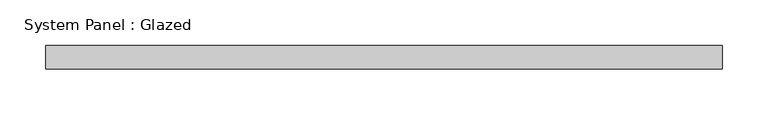
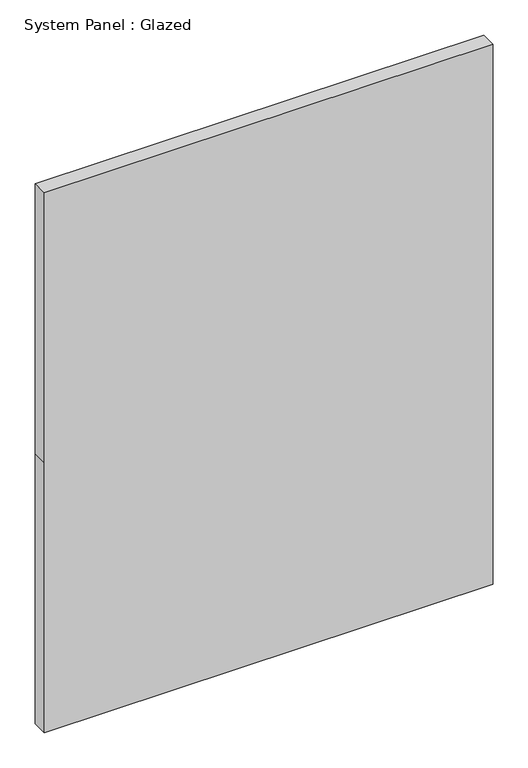
"""IFC4 building model written with IfcOpenShell, lengths in millimetres: plate geometry, System Panel : Glazed."""

from ifc_helpers import new_model, si_unit, frame, origin, place, context, project, spatial, polyline, outline, extrude, source, transform, mapped, element, save


def system_panel_glazed_79a0ce7a(model_context):
    return source(origin(), model_context, "Body", "SweptSolid", [
        extrude(outline(polyline([(0.0, -368.25), (0.0, 368.25), (468.25, 368.25), (936.5, 368.25), (936.5, -368.25), (468.25, -368.25), (0.0, -368.25)])), frame((0.0, 19.05, 0.0), z_axis=(0.0, 1.0, 0.0), x_axis=(0.0, 0.0, 1.0)), (0.0, 0.0, 1.0), 25.4),
    ])


if __name__ == "__main__":
    model = new_model("IFC4")
    model_context = context("Model", 3, world=origin())
    ifc_project = project(units=[si_unit("LENGTHUNIT", "METRE", prefix="MILLI")], contexts=[model_context])
    site = spatial("IfcSite", under=ifc_project)
    building = spatial("IfcBuilding", under=site)
    placement = place(None, origin())
    system_panel_glazed_shape = system_panel_glazed_79a0ce7a(model_context)
    element("IfcPlate", 1, ObjectType="System Panel : Glazed", at=placement, inside=building, context=model_context, shape_type="MappedRepresentation", body=[
        mapped(system_panel_glazed_shape, transform((0.0, 0.0, 0.0), x_axis=(1.0, 0.0, 0.0), y_axis=(0.0, 1.0, 0.0), z_axis=(0.0, 0.0, 1.0))),
    ])
    save(model, "model.ifc")
